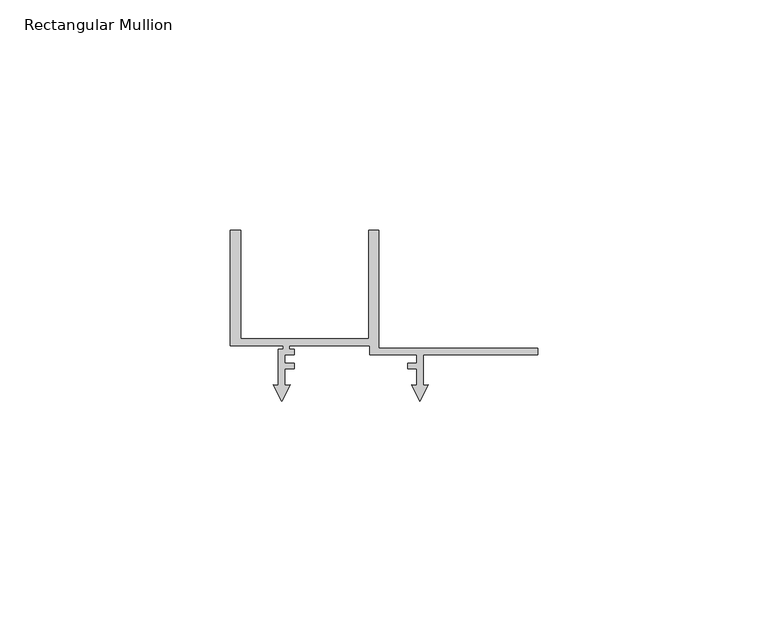
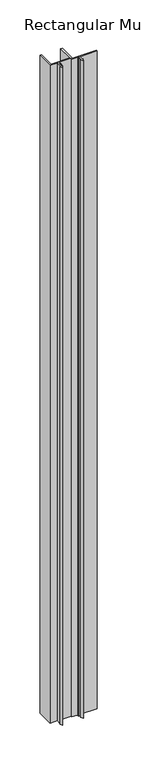
"""IFC4 building model written with IfcOpenShell, lengths in millimetres: member geometry, Rectangular Mullion."""

from ifc_helpers import new_model, si_unit, frame, origin, place, context, project, spatial, polyline, outline, extrude, source, transform, mapped, element, save


def rectangular_mullion_e4d93e6c(model_context):
    return source(origin(), model_context, "Body", "SweptSolid", [
        extrude(outline(polyline([(66.6, 36.1000494), (66.6, 34.6000494), (41.8, 34.6000494), (41.8, 28.0071867), (42.9255299, 28.1056578), (41.0999986, 24.5228474), (39.2744672, 28.1056581), (40.3999998, 28.0071867), (40.3999998, 31.599221), (38.4077357, 31.599221), (38.4077357, 32.8000494), (40.3999995, 32.8000494), (40.3999995, 34.6000494), (30.1732051, 34.6000494), (30.1732051, 36.6000494), (12.8, 36.6000494), (12.8, 35.8015754), (13.7880766, 35.8015754), (13.7880766, 34.6000494), (11.8091794, 34.6000494), (11.8091794, 32.8000494), (13.7875618, 32.8000494), (13.7875618, 31.5979618), (11.7999987, 31.5979618), (11.7999987, 28.0038712), (12.9157351, 28.1014855), (11.0999986, 24.537898), (9.284262, 28.1014855), (10.3999985, 28.0038712), (10.3999985, 35.8015754), (11.4, 35.8015754), (11.4, 36.6000494), (0.0, 36.6000494), (0.0, 61.6000494), (2.2, 61.6000494), (2.2, 38.1000494), (30.0, 38.1000494), (30.0, 61.6000494), (32.2, 61.6000494), (32.2, 36.1000494), (66.6, 36.1000494)])), frame((0.0, 0.0, -1000.0), z_axis=(0.0, 0.0, 1.0), x_axis=(1.0, 0.0, 0.0)), (0.0, 0.0, 1.0), 1000.0),
    ])


if __name__ == "__main__":
    model = new_model("IFC4")
    model_context = context("Model", 3, world=origin())
    ifc_project = project(units=[si_unit("LENGTHUNIT", "METRE", prefix="MILLI")], contexts=[model_context])
    site = spatial("IfcSite", under=ifc_project)
    building = spatial("IfcBuilding", under=site)
    placement = place(None, origin())
    rectangular_mullion_shape = rectangular_mullion_e4d93e6c(model_context)
    element("IfcMember", 1, ObjectType="Rectangular Mullion", at=placement, inside=building, context=model_context, shape_type="MappedRepresentation", body=[
        mapped(rectangular_mullion_shape, transform((0.0, 0.0, 0.0), x_axis=(1.0, 0.0, 0.0), y_axis=(0.0, 1.0, 0.0), z_axis=(0.0, 0.0, 1.0))),
    ])
    save(model, "model.ifc")
